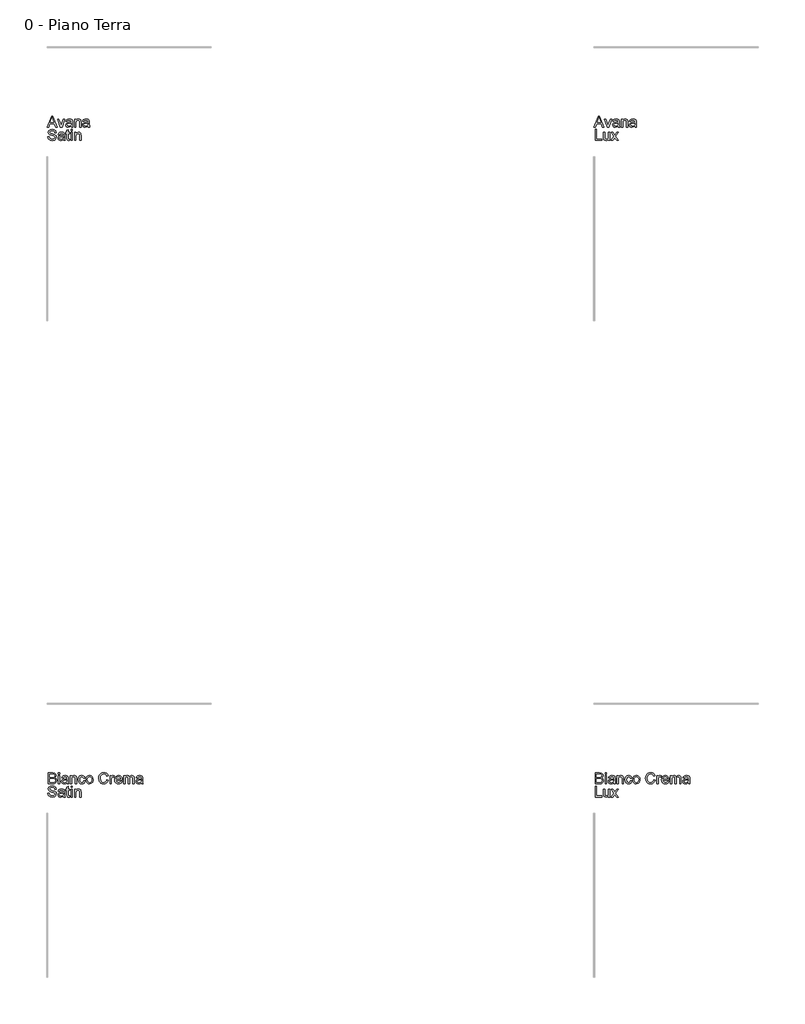
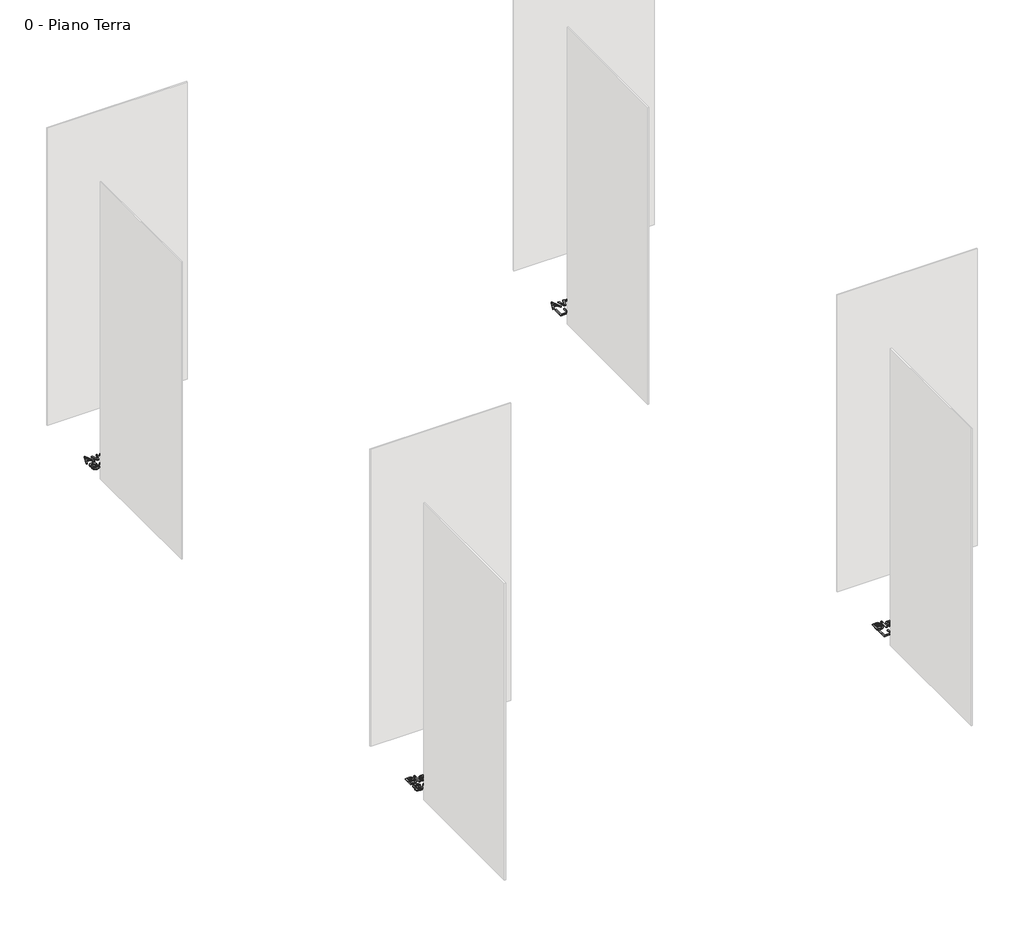
# One storey, part 22 of 35: 4 proxies.
"""IFC4 building model written with IfcOpenShell, lengths in millimetres."""

import ifcopenshell
import ifcopenshell.guid

model = None  # the IFC model being written
_history = None  # IfcOwnerHistory: only IFC2X3 demands one
_inside = {}  # id of a spatial element -> (the spatial element, [elements in it])
_under = {}  # id of a project, library or spatial element -> (it, [spatial elements below it])
_declared = {}  # id of a project -> (the project, [libraries it declares])
_typed = {}  # id of a type object -> (the type object, [elements of that type])
_made_of = {}  # id of a material, layer set ... -> (it, [elements and type objects made of it])


def new_model(schema):
    """Start an empty IFC model of exactly this schema.

    Asked for "IFC4X3", IfcOpenShell would pick the latest addendum, in which some entities
    have other attributes; the version numbers below select the first issue.
    IFC2X3 requires an IfcOwnerHistory on every rooted entity: one is made here for all.
    """
    global model, _history
    if schema == "IFC4X3":
        model = ifcopenshell.file(schema_version=(4, 3, 0, 0))
    else:
        model = ifcopenshell.file(schema=schema)
    _inside.clear()
    _under.clear()
    _declared.clear()
    _typed.clear()
    _made_of.clear()
    _history = None
    if model.schema == "IFC2X3":
        org = make("IfcOrganization", Name="unknown")
        user = make(
            "IfcPersonAndOrganization",
            ThePerson=make("IfcPerson", FamilyName="unknown"),
            TheOrganization=org,
        )
        app = make(
            "IfcApplication",
            ApplicationDeveloper=org,
            Version="unknown",
            ApplicationFullName="unknown",
            ApplicationIdentifier="unknown",
        )
        _history = make(
            "IfcOwnerHistory",
            OwningUser=user,
            OwningApplication=app,
            ChangeAction="ADDED",
            CreationDate=0,
        )
    return model


def make(cls, **values):
    """One entity of the class cls with the attributes given. An attribute that is None is left unset."""
    return model.create_entity(
        cls, **{name: value for name, value in values.items() if value is not None}
    )


def rooted(cls, **values):
    """An entity with a GlobalId (a new one), such as an element, a storey or a relation."""
    return make(cls, GlobalId=ifcopenshell.guid.new(), OwnerHistory=_history, **values)


def si_unit(unit_type, name, prefix=None):
    """IfcSIUnit, for example si_unit("LENGTHUNIT", "METRE", prefix="MILLI")."""
    return make("IfcSIUnit", UnitType=unit_type, Prefix=prefix, Name=name)


def assignment(units):
    """IfcUnitAssignment: the units of a project."""
    return None if units is None else make("IfcUnitAssignment", Units=units)


def point(xyz):
    """IfcCartesianPoint."""
    return None if xyz is None else make("IfcCartesianPoint", Coordinates=xyz)


def direction(xyz):
    """IfcDirection."""
    return None if xyz is None else make("IfcDirection", DirectionRatios=xyz)


def frame(location, z_axis=None, x_axis=None):
    """IfcAxis2Placement3D, a coordinate frame: its origin and axes. An axis left out is left unset."""
    return make(
        "IfcAxis2Placement3D",
        Location=point(location),
        Axis=direction(z_axis),
        RefDirection=direction(x_axis),
    )


def origin():
    """The frame at (0, 0, 0) with its axes left unset."""
    return frame((0.0, 0.0, 0.0))


def origin_with_axes():
    """The frame at (0, 0, 0) with the z axis (0, 0, 1) and the x axis (1, 0, 0) written out."""
    return frame((0.0, 0.0, 0.0), z_axis=(0.0, 0.0, 1.0), x_axis=(1.0, 0.0, 0.0))


def place(relative_to, where):
    """IfcLocalPlacement: puts the frame where relative to a parent placement (None: the world)."""
    return make(
        "IfcLocalPlacement", PlacementRelTo=relative_to, RelativePlacement=where
    )


def context(
    kind, dimensions, precision=None, world=None, true_north=None, identifier=None
):
    """IfcGeometricRepresentationContext, for example the 3D "Model" context."""
    return make(
        "IfcGeometricRepresentationContext",
        ContextIdentifier=identifier,
        ContextType=kind,
        CoordinateSpaceDimension=dimensions,
        Precision=precision,
        WorldCoordinateSystem=world,
        TrueNorth=true_north,
    )


def project(units=None, contexts=None):
    """IfcProject with its units and contexts."""
    return rooted(
        "IfcProject",
        Name="project",
        RepresentationContexts=contexts,
        UnitsInContext=assignment(units),
    )


def spatial(cls, under=None, at=None, **own):
    """A site, building, storey or space (cls), placed at a placement, below another one or the project."""
    s = rooted(cls, ObjectPlacement=at, **own)
    if under is not None:
        _under.setdefault(under.id(), (under, []))[1].append(s)
    return s


def polyline(points):
    """IfcPolyline through the points."""
    return make("IfcPolyline", Points=[point(p) for p in points])


def outline(outer, holes=None, kind="AREA"):
    """IfcArbitraryClosedProfileDef: a profile drawn as a closed curve; with holes, ...WithVoids."""
    if holes is None:
        return make("IfcArbitraryClosedProfileDef", ProfileType=kind, OuterCurve=outer)
    return make(
        "IfcArbitraryProfileDefWithVoids",
        ProfileType=kind,
        OuterCurve=outer,
        InnerCurves=holes,
    )


def extrude(swept, where, along, depth):
    """IfcExtrudedAreaSolid: the profile swept, set in the frame where, extruded along a direction by depth."""
    return make(
        "IfcExtrudedAreaSolid",
        SweptArea=swept,
        Position=where,
        ExtrudedDirection=direction(along),
        Depth=depth,
    )


def shape(context_of_items, identifier, shape_type, items):
    """IfcShapeRepresentation: the items that make up one representation, for example the "Body"."""
    return make(
        "IfcShapeRepresentation",
        ContextOfItems=context_of_items,
        RepresentationIdentifier=identifier,
        RepresentationType=shape_type,
        Items=items,
    )


def made_of(thing, what):
    """Note that an element or type object is made of a material, layer set ...; save() writes the relation."""
    if what is not None:
        _made_of.setdefault(what.id(), (what, []))[1].append(thing)
    return thing


def element(
    cls,
    number,
    at=None,
    inside=None,
    cuts=None,
    type_object=None,
    material=None,
    context=None,
    identifier="Body",
    shape_type=None,
    held_by="IfcProductDefinitionShape",
    body=None,
    shapes=None,
    **own,
):
    """One element of the class cls, such as IfcWall. Its Tag is "e" and its number.

    at: its placement. inside: the storey or other place that contains it. cuts: it is an
    opening in that element (IfcRelVoidsElement). A single representation is given by context,
    identifier, shape_type and body (its items); several are given by shapes. held_by: the class
    of the entity that holds the representations. save() writes the other relations.
    """
    e = rooted(cls, Tag="e%d" % number, ObjectPlacement=at, **own)
    if body is not None:
        shapes = [shape(context, identifier, shape_type, body)]
    if shapes is not None:
        e.Representation = make(held_by, Representations=shapes)
    if inside is not None:
        _inside.setdefault(inside.id(), (inside, []))[1].append(e)
    if cuts is not None:
        rooted(
            "IfcRelVoidsElement", RelatingBuildingElement=cuts, RelatedOpeningElement=e
        )
    if type_object is not None:
        _typed.setdefault(type_object.id(), (type_object, []))[1].append(e)
    return made_of(e, material)


def aggregate(whole, parts):
    """IfcRelAggregates: a whole, such as a stair, and the parts it consists of."""
    return rooted("IfcRelAggregates", RelatingObject=whole, RelatedObjects=parts)


def save(model, path):
    """Write the relations noted so far, then the file.

    IfcRelAggregates (storeys below a building ...), IfcRelContainedInSpatialStructure (elements
    in a storey), IfcRelDefinesByType, IfcRelAssociatesMaterial and IfcRelDeclares: one each for
    every whole, place, type object, material and project.
    """
    for whole, parts in _under.values():
        aggregate(whole, parts)
    for where, things in _inside.values():
        rooted(
            "IfcRelContainedInSpatialStructure",
            RelatedElements=things,
            RelatingStructure=where,
        )
    for kind, things in _typed.values():
        rooted("IfcRelDefinesByType", RelatedObjects=things, RelatingType=kind)
    for what, things in _made_of.values():
        rooted("IfcRelAssociatesMaterial", RelatedObjects=things, RelatingMaterial=what)
    for by, libraries in _declared.values():
        rooted("IfcRelDeclares", RelatingContext=by, RelatedDefinitions=libraries)
    model.write(path)


model = new_model("IFC4")

# Units and contexts
model_context = context("Model", 3, world=origin())
ifc_project = project(units=[si_unit("LENGTHUNIT", "METRE", prefix="MILLI")], contexts=[model_context])

# Site, building, storey
site = spatial("IfcSite", under=ifc_project)
building = spatial("IfcBuilding", under=site)
storey = spatial("IfcBuildingStorey", under=building, Name="0 - Piano Terra", Elevation=0.0)

# Proxies
placement = place(None, origin())
element("IfcBuildingElementProxy", 1, Name="Testo modello 1", ObjectType="Testo modello 1", at=placement, inside=storey, context=model_context, shape_type="SweptSolid", body=[
    extrude(outline(polyline([(2720.0306016, -48273.7592352), (2760.1297391, -48173.302925), (2770.8228424, -48173.302925), (2810.9219799, -48273.7592352), (2797.6537026, -48273.7592352), (2786.1512589, -48242.3666382), (2744.7767972, -48242.3666382), (2733.2988789, -48273.7592352), (2720.0306016, -48273.7592352)]), holes=[polyline([(2749.3875848, -48229.8095995), (2781.5649967, -48229.8095995), (2772.5150996, -48205.1124549), (2765.4762908, -48185.8599638), (2759.2222968, -48202.9542138), (2749.3875848, -48229.8095995)])]), origin_with_axes(), (0.0, 0.0, 1.0), 10.0),
    extrude(outline(polyline([(2840.8675743, -48273.7592352), (2814.9196309, -48199.9866324), (2828.2124337, -48199.9866324), (2843.9332576, -48244.1815227), (2848.6666726, -48259.0439553), (2853.3019857, -48245.0153886), (2869.1209115, -48199.9866324), (2882.4137143, -48199.9866324), (2856.784602, -48273.7592352), (2840.8675743, -48273.7592352)])), origin_with_axes(), (0.0, 0.0, 1.0), 10.0),
    extrude(outline(polyline([(2940.4900186, -48264.3414561), (2928.3131246, -48272.8517929), (2914.8609063, -48275.328865), (2904.3670724, -48273.8389429), (2896.626222, -48269.3691767), (2891.8529532, -48262.5817539), (2890.2618635, -48254.1388621), (2892.6653592, -48244.2060482), (2898.9806668, -48236.9955611), (2907.7730465, -48232.8752828), (2918.6378281, -48230.9868218), (2940.4164422, -48226.6703398), (2940.4900186, -48223.8744366), (2937.0319279, -48214.6038103), (2923.1505139, -48210.9740413), (2910.4463223, -48213.3897997), (2904.3885321, -48221.9614502), (2891.8314934, -48220.3918204), (2897.2638842, -48208.1290872), (2908.2022422, -48200.9431256), (2924.7691947, -48198.4170025), (2939.9872465, -48200.64882), (2948.5834225, -48206.252889), (2952.4339207, -48214.7754886), (2953.0470574, -48225.7628975), (2953.0470574, -48241.3856196), (2953.6847195, -48263.2010219), (2956.1863171, -48273.7592352), (2943.6292783, -48273.7592352), (2940.4900186, -48264.3414561)]), holes=[polyline([(2940.4900186, -48239.2273785), (2920.2319834, -48243.0778768), (2909.4285155, -48245.1134905), (2904.5356849, -48248.4244284), (2902.8189023, -48253.2559453), (2906.5590359, -48260.0494995), (2917.5341821, -48262.7718262), (2930.2383737, -48259.7674566), (2938.4298794, -48252.4956558), (2940.4164422, -48242.7835712), (2940.4900186, -48239.2273785)])]), origin_with_axes(), (0.0, 0.0, 1.0), 10.0),
    extrude(outline(polyline([(2970.3129857, -48273.7592352), (2970.3129857, -48199.9866324), (2982.8700244, -48199.9866324), (2982.8700244, -48210.2873283), (2992.4717445, -48201.384584), (3005.5806063, -48198.4170025), (3017.4386693, -48200.8082355), (3025.5320732, -48207.0867549), (3029.2967322, -48216.320593), (3029.9589198, -48228.4606988), (3029.9589198, -48273.7592352), (3017.4018811, -48273.7592352), (3017.4018811, -48230.152956), (3015.9548785, -48219.0429197), (3010.8413188, -48213.1690705), (3002.2206174, -48210.9740413), (2988.5967208, -48215.90366), (2984.3016985, -48223.0467021), (2982.8700244, -48234.6165909), (2982.8700244, -48273.7592352), (2970.3129857, -48273.7592352)])), origin_with_axes(), (0.0, 0.0, 1.0), 10.0),
    extrude(outline(polyline([(3094.3137435, -48264.3414561), (3082.1368495, -48272.8517929), (3068.6846312, -48275.328865), (3058.1907973, -48273.8389429), (3050.449947, -48269.3691767), (3045.6766781, -48262.5817539), (3044.0855884, -48254.1388621), (3046.4890841, -48244.2060482), (3052.8043917, -48236.9955611), (3061.5967714, -48232.8752828), (3072.461553, -48230.9868218), (3094.2401671, -48226.6703398), (3094.3137435, -48223.8744366), (3090.8556528, -48214.6038103), (3076.9742388, -48210.9740413), (3064.2700472, -48213.3897997), (3058.2122571, -48221.9614502), (3045.6552183, -48220.3918204), (3051.0876091, -48208.1290872), (3062.0259671, -48200.9431256), (3078.5929196, -48198.4170025), (3093.8109715, -48200.64882), (3102.4071474, -48206.252889), (3106.2576456, -48214.7754886), (3106.8707823, -48225.7628975), (3106.8707823, -48241.3856196), (3107.5084444, -48263.2010219), (3110.010042, -48273.7592352), (3097.4530032, -48273.7592352), (3094.3137435, -48264.3414561)]), holes=[polyline([(3094.3137435, -48239.2273785), (3074.0557083, -48243.0778768), (3063.2522404, -48245.1134905), (3058.3594099, -48248.4244284), (3056.6426272, -48253.2559453), (3060.3827608, -48260.0494995), (3071.357907, -48262.7718262), (3084.0620986, -48259.7674566), (3092.2536043, -48252.4956558), (3094.2401671, -48242.7835712), (3094.3137435, -48239.2273785)])]), origin_with_axes(), (0.0, 0.0, 1.0), 10.0),
    extrude(outline(polyline([(2727.0203595, -48361.2021964), (2739.5773983, -48361.2021964), (2743.6241003, -48373.7714979), (2753.5078632, -48381.717749), (2768.5664995, -48384.7466441), (2781.687624, -48382.453513), (2790.1611726, -48376.1504681), (2792.9448131, -48367.7259704), (2790.8601484, -48359.8900839), (2782.3252861, -48354.187913), (2764.041551, -48349.3931843), (2744.3598642, -48343.2005041), (2733.6790237, -48333.8563014), (2730.1596192, -48321.372839), (2734.5128895, -48307.1603313), (2747.2293438, -48297.1294156), (2765.8441728, -48293.708113), (2785.7098005, -48297.2888311), (2798.9535523, -48307.8102561), (2803.932222, -48323.5310801), (2791.3751832, -48323.5310801), (2789.0697894, -48316.0385501), (2784.262798, -48310.6306848), (2766.3346821, -48306.2651518), (2748.3575153, -48310.5816338), (2742.716658, -48321.004957), (2746.714309, -48329.7114976), (2767.2175989, -48336.725781), (2789.4376714, -48343.0288258), (2801.59004, -48353.2068944), (2805.5018518, -48367.4071394), (2801.0014288, -48382.4289875), (2788.0519825, -48393.391871), (2769.0570089, -48397.3036828), (2746.6284699, -48393.0853026), (2732.4404876, -48380.3811111), (2727.0203595, -48361.2021964)])), origin_with_axes(), (0.0, 0.0, 1.0), 10.0),
    extrude(outline(polyline([(2869.8566755, -48386.3162739), (2857.6797815, -48394.8266107), (2844.2275632, -48397.3036828), (2833.7337293, -48395.8137608), (2825.992879, -48391.3439945), (2821.2196101, -48384.5565717), (2819.6285205, -48376.1136799), (2822.0320162, -48366.1808661), (2828.3473237, -48358.9703789), (2837.1397034, -48354.8501006), (2848.004485, -48352.9616397), (2869.7830991, -48348.6451576), (2869.8566755, -48345.8492545), (2866.3985848, -48336.5786282), (2852.5171708, -48332.9488592), (2839.8129793, -48335.3646176), (2833.7551891, -48343.9362681), (2821.1981503, -48342.3666382), (2826.6305411, -48330.1039051), (2837.5688991, -48322.9179434), (2854.1358516, -48320.3918204), (2869.3539035, -48322.6236378), (2877.9500794, -48328.2277069), (2881.8005776, -48336.7503064), (2882.4137143, -48347.7377154), (2882.4137143, -48363.3604374), (2883.0513764, -48385.1758397), (2885.552974, -48395.734053), (2872.9959352, -48395.734053), (2869.8566755, -48386.3162739)]), holes=[polyline([(2869.8566755, -48361.2021964), (2849.5986403, -48365.0526946), (2838.7951724, -48367.0883083), (2833.9023419, -48370.3992463), (2832.1855592, -48375.2307631), (2835.9256928, -48382.0243173), (2846.900839, -48384.7466441), (2859.6050306, -48381.7422744), (2867.7965364, -48374.4704737), (2869.7830991, -48364.758389), (2869.8566755, -48361.2021964)])]), origin_with_axes(), (0.0, 0.0, 1.0), 10.0),
    extrude(outline(polyline([(2926.36335, -48385.2616789), (2927.9329798, -48396.101935), (2918.5397262, -48397.3036828), (2908.0183012, -48395.2190182), (2902.7698514, -48389.7498392), (2901.2492725, -48375.5005433), (2901.2492725, -48334.518489), (2891.8314934, -48334.518489), (2891.8314934, -48321.9614502), (2901.2492725, -48321.9614502), (2901.2492725, -48304.0333343), (2913.8063112, -48296.651169), (2913.8063112, -48321.9614502), (2926.36335, -48321.9614502), (2926.36335, -48334.518489), (2913.8063112, -48334.518489), (2913.8063112, -48375.1326613), (2914.4684988, -48381.6073844), (2916.6144771, -48383.9005155), (2920.894171, -48384.7466441), (2926.36335, -48385.2616789)])), origin_with_axes(), (0.0, 0.0, 1.0), 10.0),
    extrude(outline(polyline([(2938.9203888, -48307.8347816), (2938.9203888, -48295.2777428), (2951.4774275, -48295.2777428), (2951.4774275, -48307.8347816), (2938.9203888, -48307.8347816)])), origin_with_axes(), (0.0, 0.0, 1.0), 10.0),
    extrude(outline(polyline([(2938.9203888, -48395.734053), (2938.9203888, -48321.9614502), (2951.4774275, -48321.9614502), (2951.4774275, -48395.734053), (2938.9203888, -48395.734053)])), origin_with_axes(), (0.0, 0.0, 1.0), 10.0),
    extrude(outline(polyline([(2970.3129857, -48395.734053), (2970.3129857, -48321.9614502), (2982.8700244, -48321.9614502), (2982.8700244, -48332.2621461), (2992.4717445, -48323.3594018), (3005.5806063, -48320.3918204), (3017.4386693, -48322.7830534), (3025.5320732, -48329.0615727), (3029.2967322, -48338.2954108), (3029.9589198, -48350.4355167), (3029.9589198, -48395.734053), (3017.4018811, -48395.734053), (3017.4018811, -48352.1277738), (3015.9548785, -48341.0177376), (3010.8413188, -48335.1438884), (3002.2206174, -48332.9488592), (2988.5967208, -48337.8784779), (2984.3016985, -48345.02152), (2982.8700244, -48356.5914087), (2982.8700244, -48395.734053), (2970.3129857, -48395.734053)])), origin_with_axes(), (0.0, 0.0, 1.0), 10.0),
])
element("IfcBuildingElementProxy", 2, Name="Testo modello 1", ObjectType="Testo modello 1", at=placement, inside=storey, context=model_context, shape_type="SweptSolid", body=[
    extrude(outline(polyline([(7720.0306016, -48273.7592352), (7760.1297391, -48173.302925), (7770.8228424, -48173.302925), (7810.9219799, -48273.7592352), (7797.6537026, -48273.7592352), (7786.1512589, -48242.3666382), (7744.7767972, -48242.3666382), (7733.2988789, -48273.7592352), (7720.0306016, -48273.7592352)]), holes=[polyline([(7749.3875848, -48229.8095995), (7781.5649967, -48229.8095995), (7772.5150996, -48205.1124549), (7765.4762908, -48185.8599638), (7759.2222968, -48202.9542138), (7749.3875848, -48229.8095995)])]), origin_with_axes(), (0.0, 0.0, 1.0), 10.0),
    extrude(outline(polyline([(7840.8675743, -48273.7592352), (7814.9196309, -48199.9866324), (7828.2124337, -48199.9866324), (7843.9332576, -48244.1815227), (7848.6666726, -48259.0439553), (7853.3019857, -48245.0153886), (7869.1209115, -48199.9866324), (7882.4137143, -48199.9866324), (7856.784602, -48273.7592352), (7840.8675743, -48273.7592352)])), origin_with_axes(), (0.0, 0.0, 1.0), 10.0),
    extrude(outline(polyline([(7940.4900186, -48264.3414561), (7928.3131246, -48272.8517929), (7914.8609063, -48275.328865), (7904.3670724, -48273.8389429), (7896.626222, -48269.3691767), (7891.8529532, -48262.5817539), (7890.2618635, -48254.1388621), (7892.6653592, -48244.2060482), (7898.9806668, -48236.9955611), (7907.7730465, -48232.8752828), (7918.6378281, -48230.9868218), (7940.4164422, -48226.6703398), (7940.4900186, -48223.8744366), (7937.0319279, -48214.6038103), (7923.1505139, -48210.9740413), (7910.4463223, -48213.3897997), (7904.3885321, -48221.9614502), (7891.8314934, -48220.3918204), (7897.2638842, -48208.1290872), (7908.2022422, -48200.9431256), (7924.7691947, -48198.4170025), (7939.9872465, -48200.64882), (7948.5834225, -48206.252889), (7952.4339207, -48214.7754886), (7953.0470574, -48225.7628975), (7953.0470574, -48241.3856196), (7953.6847195, -48263.2010219), (7956.1863171, -48273.7592352), (7943.6292783, -48273.7592352), (7940.4900186, -48264.3414561)]), holes=[polyline([(7940.4900186, -48239.2273785), (7920.2319834, -48243.0778768), (7909.4285155, -48245.1134905), (7904.5356849, -48248.4244284), (7902.8189023, -48253.2559453), (7906.5590359, -48260.0494995), (7917.5341821, -48262.7718262), (7930.2383737, -48259.7674566), (7938.4298794, -48252.4956558), (7940.4164422, -48242.7835712), (7940.4900186, -48239.2273785)])]), origin_with_axes(), (0.0, 0.0, 1.0), 10.0),
    extrude(outline(polyline([(7970.3129857, -48273.7592352), (7970.3129857, -48199.9866324), (7982.8700244, -48199.9866324), (7982.8700244, -48210.2873283), (7992.4717445, -48201.384584), (8005.5806063, -48198.4170025), (8017.4386693, -48200.8082355), (8025.5320732, -48207.0867549), (8029.2967322, -48216.320593), (8029.9589198, -48228.4606988), (8029.9589198, -48273.7592352), (8017.4018811, -48273.7592352), (8017.4018811, -48230.152956), (8015.9548785, -48219.0429197), (8010.8413188, -48213.1690705), (8002.2206174, -48210.9740413), (7988.5967208, -48215.90366), (7984.3016985, -48223.0467021), (7982.8700244, -48234.6165909), (7982.8700244, -48273.7592352), (7970.3129857, -48273.7592352)])), origin_with_axes(), (0.0, 0.0, 1.0), 10.0),
    extrude(outline(polyline([(8094.3137435, -48264.3414561), (8082.1368495, -48272.8517929), (8068.6846312, -48275.328865), (8058.1907973, -48273.8389429), (8050.449947, -48269.3691767), (8045.6766781, -48262.5817539), (8044.0855884, -48254.1388621), (8046.4890841, -48244.2060482), (8052.8043917, -48236.9955611), (8061.5967714, -48232.8752828), (8072.461553, -48230.9868218), (8094.2401671, -48226.6703398), (8094.3137435, -48223.8744366), (8090.8556528, -48214.6038103), (8076.9742388, -48210.9740413), (8064.2700472, -48213.3897997), (8058.2122571, -48221.9614502), (8045.6552183, -48220.3918204), (8051.0876091, -48208.1290872), (8062.0259671, -48200.9431256), (8078.5929196, -48198.4170025), (8093.8109715, -48200.64882), (8102.4071474, -48206.252889), (8106.2576456, -48214.7754886), (8106.8707823, -48225.7628975), (8106.8707823, -48241.3856196), (8107.5084444, -48263.2010219), (8110.010042, -48273.7592352), (8097.4530032, -48273.7592352), (8094.3137435, -48264.3414561)]), holes=[polyline([(8094.3137435, -48239.2273785), (8074.0557083, -48243.0778768), (8063.2522404, -48245.1134905), (8058.3594099, -48248.4244284), (8056.6426272, -48253.2559453), (8060.3827608, -48260.0494995), (8071.357907, -48262.7718262), (8084.0620986, -48259.7674566), (8092.2536043, -48252.4956558), (8094.2401671, -48242.7835712), (8094.3137435, -48239.2273785)])]), origin_with_axes(), (0.0, 0.0, 1.0), 10.0),
    extrude(outline(polyline([(7731.7292491, -48395.734053), (7731.7292491, -48295.2777428), (7744.2862878, -48295.2777428), (7744.2862878, -48383.1770142), (7794.5144429, -48383.1770142), (7794.5144429, -48395.734053), (7731.7292491, -48395.734053)])), origin_with_axes(), (0.0, 0.0, 1.0), 10.0),
    extrude(outline(polyline([(7854.1603771, -48395.734053), (7854.1603771, -48383.0543869), (7844.3256651, -48393.7413589), (7831.4988462, -48397.3036828), (7819.6898341, -48394.8020853), (7811.5473793, -48388.5235659), (7807.8072457, -48379.2774651), (7807.0714817, -48367.6033431), (7807.0714817, -48321.9614502), (7819.6285205, -48321.9614502), (7819.6285205, -48361.6927057), (7820.3888099, -48374.4949991), (7825.3552168, -48382.0120546), (7834.7116823, -48384.7466441), (7845.1963191, -48381.9507409), (7852.1247634, -48374.3355836), (7854.1603771, -48360.3438051), (7854.1603771, -48321.9614502), (7866.7174158, -48321.9614502), (7866.7174158, -48395.734053), (7854.1603771, -48395.734053)])), origin_with_axes(), (0.0, 0.0, 1.0), 10.0),
    extrude(outline(polyline([(7876.1351949, -48395.734053), (7902.9660551, -48358.6515479), (7877.7048248, -48321.9614502), (7892.812512, -48321.9614502), (7905.0016688, -48339.619786), (7910.691577, -48347.9584446), (7915.6211957, -48341.1403649), (7929.5026097, -48321.9614502), (7944.610297, -48321.9614502), (7918.0737424, -48358.6515479), (7943.6292783, -48395.734053), (7928.521591, -48395.734053), (7913.1441236, -48373.4404041), (7910.323695, -48369.3691767), (7891.2428822, -48395.734053), (7876.1351949, -48395.734053)])), origin_with_axes(), (0.0, 0.0, 1.0), 10.0),
])
element("IfcBuildingElementProxy", 3, Name="Testo modello 1", ObjectType="Testo modello 1", at=placement, inside=storey, context=model_context, shape_type="SweptSolid", body=[
    extrude(outline(polyline([(2731.7292491, -54273.7592352), (2731.7292491, -54173.302925), (2770.062553, -54173.302925), (2788.8367975, -54176.2582437), (2799.9223082, -54185.344929), (2803.932222, -54198.1962733), (2800.5599704, -54209.931709), (2790.3696391, -54218.8221905), (2802.7427369, -54228.1909187), (2807.0714817, -54243.8136407), (2804.116163, -54257.31491), (2796.7953113, -54266.9288928), (2785.869216, -54272.0301898), (2769.7682474, -54273.7592352), (2731.7292491, -54273.7592352)]), holes=[polyline([(2744.2862878, -54214.113301), (2767.2175989, -54214.113301), (2780.6085035, -54213.0341805), (2788.6651192, -54208.3866046), (2791.3751832, -54200.2073616), (2788.8490602, -54192.0158558), (2781.6140476, -54187.1720762), (2765.4762908, -54185.8599638), (2744.2862878, -54185.8599638), (2744.2862878, -54214.113301)]), polyline([(2744.2862878, -54261.2021964), (2770.0380275, -54261.2021964), (2779.3577047, -54260.7116871), (2787.2426421, -54257.9770976), (2792.4665665, -54252.397554), (2794.5144429, -54243.9362681), (2792.1109472, -54234.1751325), (2784.3241117, -54228.3503342), (2768.8117542, -54226.6703398), (2744.2862878, -54226.6703398), (2744.2862878, -54261.2021964)])]), origin_with_axes(), (0.0, 0.0, 1.0), 10.0),
    extrude(outline(polyline([(2822.7677801, -54185.8599638), (2822.7677801, -54173.302925), (2835.3248189, -54173.302925), (2835.3248189, -54185.8599638), (2822.7677801, -54185.8599638)])), origin_with_axes(), (0.0, 0.0, 1.0), 10.0),
    extrude(outline(polyline([(2822.7677801, -54273.7592352), (2822.7677801, -54199.9866324), (2835.3248189, -54199.9866324), (2835.3248189, -54273.7592352), (2822.7677801, -54273.7592352)])), origin_with_axes(), (0.0, 0.0, 1.0), 10.0),
    extrude(outline(polyline([(2901.2492725, -54264.3414561), (2889.0723784, -54272.8517929), (2875.6201601, -54275.328865), (2865.1263262, -54273.8389429), (2857.3854759, -54269.3691767), (2852.612207, -54262.5817539), (2851.0211174, -54254.1388621), (2853.4246131, -54244.2060482), (2859.7399207, -54236.9955611), (2868.5323003, -54232.8752828), (2879.3970819, -54230.9868218), (2901.1756961, -54226.6703398), (2901.2492725, -54223.8744366), (2897.7911817, -54214.6038103), (2883.9097677, -54210.9740413), (2871.2055762, -54213.3897997), (2865.147786, -54221.9614502), (2852.5907472, -54220.3918204), (2858.023138, -54208.1290872), (2868.961496, -54200.9431256), (2885.5284485, -54198.4170025), (2900.7465004, -54200.64882), (2909.3426763, -54206.252889), (2913.1931746, -54214.7754886), (2913.8063112, -54225.7628975), (2913.8063112, -54241.3856196), (2914.4439733, -54263.2010219), (2916.9455709, -54273.7592352), (2904.3885321, -54273.7592352), (2901.2492725, -54264.3414561)]), holes=[polyline([(2901.2492725, -54239.2273785), (2880.9912373, -54243.0778768), (2870.1877693, -54245.1134905), (2865.2949388, -54248.4244284), (2863.5781561, -54253.2559453), (2867.3182898, -54260.0494995), (2878.293436, -54262.7718262), (2890.9976275, -54259.7674566), (2899.1891333, -54252.4956558), (2901.1756961, -54242.7835712), (2901.2492725, -54239.2273785)])]), origin_with_axes(), (0.0, 0.0, 1.0), 10.0),
    extrude(outline(polyline([(2931.0722395, -54273.7592352), (2931.0722395, -54199.9866324), (2943.6292783, -54199.9866324), (2943.6292783, -54210.2873283), (2953.2309984, -54201.384584), (2966.3398601, -54198.4170025), (2978.1979231, -54200.8082355), (2986.291327, -54207.0867549), (2990.0559861, -54216.320593), (2990.7181737, -54228.4606988), (2990.7181737, -54273.7592352), (2978.1611349, -54273.7592352), (2978.1611349, -54230.152956), (2976.7141324, -54219.0429197), (2971.6005727, -54213.1690705), (2962.9798712, -54210.9740413), (2949.3559747, -54215.90366), (2945.0609524, -54223.0467021), (2943.6292783, -54234.6165909), (2943.6292783, -54273.7592352), (2931.0722395, -54273.7592352)])), origin_with_axes(), (0.0, 0.0, 1.0), 10.0),
    extrude(outline(polyline([(3055.0729974, -54247.0755278), (3067.6300361, -54248.6451576), (3064.1290258, -54259.8134419), (3057.5500695, -54268.253268), (3048.5124351, -54273.5599657), (3037.6353908, -54275.328865), (3024.2782087, -54272.8609899), (3013.8334257, -54265.4573648), (3007.0919881, -54253.442952), (3004.8448423, -54237.1427139), (3008.6830778, -54216.2838048), (3020.3817252, -54202.8806374), (3037.4637125, -54198.4170025), (3048.0740424, -54199.9498442), (3056.5567881, -54204.5483691), (3062.6421694, -54211.9673227), (3066.0604063, -54221.9614502), (3053.5033675, -54223.5310801), (3047.6785693, -54214.1255637), (3037.5618144, -54210.9740413), (3029.4469507, -54212.5252771), (3023.0059501, -54217.1789843), (3018.8028983, -54225.1865491), (3017.4018811, -54236.7993574), (3018.7722415, -54248.5685155), (3022.8833228, -54256.6036714), (3029.2078274, -54261.2297875), (3037.2184579, -54262.7718262), (3049.0519954, -54258.921328), (3055.0729974, -54247.0755278)])), origin_with_axes(), (0.0, 0.0, 1.0), 10.0),
    extrude(outline(polyline([(3075.4781854, -54236.8729338), (3078.1943808, -54219.0858393), (3086.342967, -54206.5839828), (3096.4106709, -54200.4587476), (3108.4649376, -54198.4170025), (3121.6565728, -54200.9032717), (3132.1933263, -54208.3620791), (3139.1003108, -54220.2048137), (3141.4026389, -54235.8428642), (3137.3314115, -54258.185564), (3125.4733485, -54270.8284419), (3108.4649376, -54275.328865), (3095.1138869, -54272.8517929), (3084.5893961, -54265.4205766), (3077.7559881, -54253.3295217), (3075.4781854, -54236.8729338)]), holes=[polyline([(3088.0352241, -54236.8484083), (3089.488358, -54248.2128963), (3093.8477597, -54256.3093658), (3100.4083219, -54261.1562111), (3108.4649376, -54262.7718262), (3116.4847651, -54261.1470141), (3123.0330646, -54256.2725776), (3127.3924663, -54248.0688092), (3128.8456001, -54236.4560008), (3127.3832692, -54225.4226067), (3122.9962764, -54217.4365017), (3116.4387798, -54212.5896564), (3108.4649376, -54210.9740413), (3100.4083219, -54212.583525), (3093.8477597, -54217.4119762), (3089.488358, -54225.4900517), (3088.0352241, -54236.8484083)])]), origin_with_axes(), (0.0, 0.0, 1.0), 10.0),
    extrude(outline(polyline([(3266.9730266, -54238.0501562), (3279.5300654, -54241.2875177), (3273.7359239, -54255.9200241), (3264.6431073, -54266.6100617), (3252.6992052, -54273.1491642), (3238.3518074, -54275.328865), (3223.786746, -54273.6795274), (3212.219923, -54268.7315146), (3203.3539669, -54260.6565048), (3196.8915065, -54249.6261763), (3191.630794, -54222.7707906), (3193.1176504, -54208.1229558), (3197.5782196, -54195.4739466), (3204.7795096, -54185.2253673), (3214.4885286, -54177.7788226), (3226.0032351, -54173.244677), (3238.6215875, -54171.7332952), (3252.3895712, -54173.6892011), (3263.7724532, -54179.5569189), (3272.4146144, -54188.974698), (3277.9604355, -54201.5807877), (3265.4033967, -54204.5728946), (3255.1027009, -54189.1341135), (3238.1310782, -54184.2903339), (3218.4861796, -54189.6614111), (3207.3884061, -54204.0823853), (3204.1878327, -54222.7462652), (3207.9770173, -54244.3777265), (3219.7737666, -54258.1978268), (3237.1010086, -54262.7718262), (3247.5825798, -54261.2144591), (3256.3167115, -54256.5423578), (3262.9109962, -54248.8045731), (3266.9730266, -54238.0501562)])), origin_with_axes(), (0.0, 0.0, 1.0), 10.0),
    extrude(outline(polyline([(3295.2263638, -54273.7592352), (3295.2263638, -54199.9866324), (3306.2137727, -54199.9866324), (3306.2137727, -54210.9004649), (3314.012871, -54200.8450237), (3321.8610203, -54198.4170025), (3334.46711, -54202.2920262), (3330.2732552, -54213.5492153), (3321.4440873, -54210.9740413), (3314.3439648, -54213.4511134), (3309.8190163, -54220.318244), (3307.7834026, -54234.9844729), (3307.7834026, -54273.7592352), (3295.2263638, -54273.7592352)])), origin_with_axes(), (0.0, 0.0, 1.0), 10.0),
    extrude(outline(polyline([(3393.9658913, -54251.7844173), (3406.2776754, -54253.3540472), (3401.8416317, -54262.6308048), (3394.762969, -54269.5653804), (3385.2011028, -54273.8879938), (3373.3154487, -54275.328865), (3358.5817748, -54272.8425958), (3347.2448779, -54265.3837884), (3340.0159967, -54253.4368206), (3337.6063697, -54237.4860704), (3340.0405222, -54220.9988257), (3347.3429798, -54208.6686475), (3358.5265925, -54200.9799138), (3372.6042101, -54198.4170025), (3386.2434351, -54200.9737824), (3397.1419392, -54208.644122), (3404.288047, -54220.9497747), (3406.6700829, -54237.412494), (3406.5965065, -54240.7970084), (3350.1634084, -54240.7970084), (3352.3369779, -54250.1963934), (3357.3861583, -54257.1064435), (3364.6732875, -54261.3554805), (3373.5607033, -54262.7718262), (3385.8724874, -54260.1476013), (3393.9658913, -54251.7844173)]), holes=[polyline([(3350.1634084, -54228.2399696), (3394.1130441, -54228.2399696), (3389.0853235, -54216.8601532), (3381.7644718, -54212.4455693), (3372.5551592, -54210.9740413), (3357.0918527, -54215.6706681), (3352.2266133, -54221.1613069), (3350.1634084, -54228.2399696)])]), origin_with_axes(), (0.0, 0.0, 1.0), 10.0),
    extrude(outline(polyline([(3419.2271217, -54273.7592352), (3419.2271217, -54199.9866324), (3431.7841604, -54199.9866324), (3431.7841604, -54212.1267382), (3440.4171246, -54202.1816616), (3452.7043832, -54198.4170025), (3465.2859475, -54202.255238), (3472.202129, -54213.009655), (3482.0000528, -54202.0651657), (3494.3731505, -54198.4170025), (3503.8123894, -54199.9345158), (3510.7929503, -54204.4870555), (3515.1063667, -54212.1972489), (3516.5441721, -54223.1877235), (3516.5441721, -54273.7592352), (3503.9871334, -54273.7592352), (3503.9871334, -54228.5833261), (3502.8221737, -54218.0986893), (3498.6037935, -54212.9360786), (3491.4300946, -54210.9740413), (3479.0815223, -54216.0017619), (3475.3935053, -54222.5439301), (3474.1641663, -54232.1149933), (3474.1641663, -54273.7592352), (3461.6071275, -54273.7592352), (3461.6071275, -54227.1853746), (3458.7008597, -54215.0207433), (3449.1727161, -54210.9740413), (3439.8775643, -54213.6718426), (3433.6971468, -54221.5690428), (3431.7841604, -54236.5541027), (3431.7841604, -54273.7592352), (3419.2271217, -54273.7592352)])), origin_with_axes(), (0.0, 0.0, 1.0), 10.0),
    extrude(outline(polyline([(3582.4686257, -54264.3414561), (3570.2917316, -54272.8517929), (3556.8395133, -54275.328865), (3546.3456794, -54273.8389429), (3538.6048291, -54269.3691767), (3533.8315602, -54262.5817539), (3532.2404706, -54254.1388621), (3534.6439663, -54244.2060482), (3540.9592739, -54236.9955611), (3549.7516536, -54232.8752828), (3560.6164351, -54230.9868218), (3582.3950493, -54226.6703398), (3582.4686257, -54223.8744366), (3579.0105349, -54214.6038103), (3565.1291209, -54210.9740413), (3552.4249294, -54213.3897997), (3546.3671392, -54221.9614502), (3533.8101004, -54220.3918204), (3539.2424912, -54208.1290872), (3550.1808492, -54200.9431256), (3566.7478017, -54198.4170025), (3581.9658536, -54200.64882), (3590.5620295, -54206.252889), (3594.4125278, -54214.7754886), (3595.0256644, -54225.7628975), (3595.0256644, -54241.3856196), (3595.6633265, -54263.2010219), (3598.1649241, -54273.7592352), (3585.6078853, -54273.7592352), (3582.4686257, -54264.3414561)]), holes=[polyline([(3582.4686257, -54239.2273785), (3562.2105905, -54243.0778768), (3551.4071225, -54245.1134905), (3546.514292, -54248.4244284), (3544.7975093, -54253.2559453), (3548.537643, -54260.0494995), (3559.5127892, -54262.7718262), (3572.2169807, -54259.7674566), (3580.4084865, -54252.4956558), (3582.3950493, -54242.7835712), (3582.4686257, -54239.2273785)])]), origin_with_axes(), (0.0, 0.0, 1.0), 10.0),
    extrude(outline(polyline([(2727.0203595, -54361.2021964), (2739.5773983, -54361.2021964), (2743.6241003, -54373.7714979), (2753.5078632, -54381.717749), (2768.5664995, -54384.7466441), (2781.687624, -54382.453513), (2790.1611726, -54376.1504681), (2792.9448131, -54367.7259704), (2790.8601484, -54359.8900839), (2782.3252861, -54354.187913), (2764.041551, -54349.3931843), (2744.3598642, -54343.2005041), (2733.6790236, -54333.8563014), (2730.1596192, -54321.372839), (2734.5128895, -54307.1603313), (2747.2293438, -54297.1294156), (2765.8441728, -54293.708113), (2785.7098005, -54297.2888311), (2798.9535523, -54307.8102561), (2803.932222, -54323.5310801), (2791.3751832, -54323.5310801), (2789.0697894, -54316.0385501), (2784.262798, -54310.6306848), (2766.3346821, -54306.2651518), (2748.3575153, -54310.5816338), (2742.716658, -54321.004957), (2746.714309, -54329.7114976), (2767.2175989, -54336.725781), (2789.4376714, -54343.0288258), (2801.59004, -54353.2068944), (2805.5018518, -54367.4071394), (2801.0014288, -54382.4289875), (2788.0519825, -54393.391871), (2769.0570089, -54397.3036828), (2746.6284699, -54393.0853026), (2732.4404876, -54380.3811111), (2727.0203595, -54361.2021964)])), origin_with_axes(), (0.0, 0.0, 1.0), 10.0),
    extrude(outline(polyline([(2869.8566755, -54386.3162739), (2857.6797815, -54394.8266107), (2844.2275632, -54397.3036828), (2833.7337293, -54395.8137608), (2825.992879, -54391.3439945), (2821.2196101, -54384.5565717), (2819.6285205, -54376.1136799), (2822.0320162, -54366.1808661), (2828.3473237, -54358.9703789), (2837.1397034, -54354.8501006), (2848.004485, -54352.9616397), (2869.7830991, -54348.6451576), (2869.8566755, -54345.8492545), (2866.3985848, -54336.5786282), (2852.5171708, -54332.9488592), (2839.8129793, -54335.3646176), (2833.7551891, -54343.9362681), (2821.1981503, -54342.3666382), (2826.6305411, -54330.1039051), (2837.5688991, -54322.9179434), (2854.1358516, -54320.3918204), (2869.3539035, -54322.6236378), (2877.9500794, -54328.2277069), (2881.8005776, -54336.7503064), (2882.4137143, -54347.7377154), (2882.4137143, -54363.3604374), (2883.0513764, -54385.1758397), (2885.552974, -54395.734053), (2872.9959352, -54395.734053), (2869.8566755, -54386.3162739)]), holes=[polyline([(2869.8566755, -54361.2021964), (2849.5986403, -54365.0526946), (2838.7951724, -54367.0883083), (2833.9023419, -54370.3992463), (2832.1855592, -54375.2307631), (2835.9256928, -54382.0243173), (2846.900839, -54384.7466441), (2859.6050306, -54381.7422744), (2867.7965364, -54374.4704737), (2869.7830991, -54364.758389), (2869.8566755, -54361.2021964)])]), origin_with_axes(), (0.0, 0.0, 1.0), 10.0),
    extrude(outline(polyline([(2926.36335, -54385.2616789), (2927.9329798, -54396.101935), (2918.5397262, -54397.3036828), (2908.0183012, -54395.2190182), (2902.7698514, -54389.7498392), (2901.2492725, -54375.5005433), (2901.2492725, -54334.518489), (2891.8314934, -54334.518489), (2891.8314934, -54321.9614502), (2901.2492725, -54321.9614502), (2901.2492725, -54304.0333343), (2913.8063112, -54296.651169), (2913.8063112, -54321.9614502), (2926.36335, -54321.9614502), (2926.36335, -54334.518489), (2913.8063112, -54334.518489), (2913.8063112, -54375.1326613), (2914.4684988, -54381.6073844), (2916.6144771, -54383.9005155), (2920.894171, -54384.7466441), (2926.36335, -54385.2616789)])), origin_with_axes(), (0.0, 0.0, 1.0), 10.0),
    extrude(outline(polyline([(2938.9203888, -54307.8347816), (2938.9203888, -54295.2777428), (2951.4774275, -54295.2777428), (2951.4774275, -54307.8347816), (2938.9203888, -54307.8347816)])), origin_with_axes(), (0.0, 0.0, 1.0), 10.0),
    extrude(outline(polyline([(2938.9203888, -54395.734053), (2938.9203888, -54321.9614502), (2951.4774275, -54321.9614502), (2951.4774275, -54395.734053), (2938.9203888, -54395.734053)])), origin_with_axes(), (0.0, 0.0, 1.0), 10.0),
    extrude(outline(polyline([(2970.3129857, -54395.734053), (2970.3129857, -54321.9614502), (2982.8700244, -54321.9614502), (2982.8700244, -54332.2621461), (2992.4717445, -54323.3594018), (3005.5806063, -54320.3918204), (3017.4386693, -54322.7830534), (3025.5320732, -54329.0615727), (3029.2967322, -54338.2954108), (3029.9589198, -54350.4355167), (3029.9589198, -54395.734053), (3017.4018811, -54395.734053), (3017.4018811, -54352.1277738), (3015.9548785, -54341.0177376), (3010.8413188, -54335.1438884), (3002.2206174, -54332.9488592), (2988.5967208, -54337.8784779), (2984.3016985, -54345.02152), (2982.8700244, -54356.5914087), (2982.8700244, -54395.734053), (2970.3129857, -54395.734053)])), origin_with_axes(), (0.0, 0.0, 1.0), 10.0),
])
element("IfcBuildingElementProxy", 4, Name="Testo modello 1", ObjectType="Testo modello 1", at=placement, inside=storey, context=model_context, shape_type="SweptSolid", body=[
    extrude(outline(polyline([(7731.7292491, -54273.7592352), (7731.7292491, -54173.302925), (7770.062553, -54173.302925), (7788.8367975, -54176.2582437), (7799.9223082, -54185.344929), (7803.932222, -54198.1962733), (7800.5599704, -54209.931709), (7790.3696391, -54218.8221905), (7802.7427369, -54228.1909187), (7807.0714817, -54243.8136407), (7804.116163, -54257.31491), (7796.7953113, -54266.9288928), (7785.869216, -54272.0301898), (7769.7682474, -54273.7592352), (7731.7292491, -54273.7592352)]), holes=[polyline([(7744.2862878, -54214.113301), (7767.2175989, -54214.113301), (7780.6085035, -54213.0341805), (7788.6651192, -54208.3866046), (7791.3751832, -54200.2073616), (7788.8490602, -54192.0158558), (7781.6140476, -54187.1720762), (7765.4762908, -54185.8599638), (7744.2862878, -54185.8599638), (7744.2862878, -54214.113301)]), polyline([(7744.2862878, -54261.2021964), (7770.0380275, -54261.2021964), (7779.3577047, -54260.7116871), (7787.2426421, -54257.9770976), (7792.4665665, -54252.397554), (7794.5144429, -54243.9362681), (7792.1109472, -54234.1751325), (7784.3241117, -54228.3503342), (7768.8117542, -54226.6703398), (7744.2862878, -54226.6703398), (7744.2862878, -54261.2021964)])]), origin_with_axes(), (0.0, 0.0, 1.0), 10.0),
    extrude(outline(polyline([(7822.7677801, -54185.8599638), (7822.7677801, -54173.302925), (7835.3248189, -54173.302925), (7835.3248189, -54185.8599638), (7822.7677801, -54185.8599638)])), origin_with_axes(), (0.0, 0.0, 1.0), 10.0),
    extrude(outline(polyline([(7822.7677801, -54273.7592352), (7822.7677801, -54199.9866324), (7835.3248189, -54199.9866324), (7835.3248189, -54273.7592352), (7822.7677801, -54273.7592352)])), origin_with_axes(), (0.0, 0.0, 1.0), 10.0),
    extrude(outline(polyline([(7901.2492725, -54264.3414561), (7889.0723784, -54272.8517929), (7875.6201601, -54275.328865), (7865.1263262, -54273.8389429), (7857.3854759, -54269.3691767), (7852.612207, -54262.5817539), (7851.0211174, -54254.1388621), (7853.4246131, -54244.2060482), (7859.7399207, -54236.9955611), (7868.5323003, -54232.8752828), (7879.3970819, -54230.9868218), (7901.1756961, -54226.6703398), (7901.2492725, -54223.8744366), (7897.7911817, -54214.6038103), (7883.9097677, -54210.9740413), (7871.2055762, -54213.3897997), (7865.147786, -54221.9614502), (7852.5907472, -54220.3918204), (7858.023138, -54208.1290872), (7868.961496, -54200.9431256), (7885.5284485, -54198.4170025), (7900.7465004, -54200.64882), (7909.3426763, -54206.252889), (7913.1931746, -54214.7754886), (7913.8063112, -54225.7628975), (7913.8063112, -54241.3856196), (7914.4439733, -54263.2010219), (7916.9455709, -54273.7592352), (7904.3885321, -54273.7592352), (7901.2492725, -54264.3414561)]), holes=[polyline([(7901.2492725, -54239.2273785), (7880.9912373, -54243.0778768), (7870.1877693, -54245.1134905), (7865.2949388, -54248.4244284), (7863.5781561, -54253.2559453), (7867.3182898, -54260.0494995), (7878.293436, -54262.7718262), (7890.9976275, -54259.7674566), (7899.1891333, -54252.4956558), (7901.1756961, -54242.7835712), (7901.2492725, -54239.2273785)])]), origin_with_axes(), (0.0, 0.0, 1.0), 10.0),
    extrude(outline(polyline([(7931.0722395, -54273.7592352), (7931.0722395, -54199.9866324), (7943.6292783, -54199.9866324), (7943.6292783, -54210.2873283), (7953.2309984, -54201.384584), (7966.3398601, -54198.4170025), (7978.1979231, -54200.8082355), (7986.291327, -54207.0867549), (7990.0559861, -54216.320593), (7990.7181737, -54228.4606988), (7990.7181737, -54273.7592352), (7978.1611349, -54273.7592352), (7978.1611349, -54230.152956), (7976.7141324, -54219.0429197), (7971.6005727, -54213.1690705), (7962.9798712, -54210.9740413), (7949.3559747, -54215.90366), (7945.0609524, -54223.0467021), (7943.6292783, -54234.6165909), (7943.6292783, -54273.7592352), (7931.0722395, -54273.7592352)])), origin_with_axes(), (0.0, 0.0, 1.0), 10.0),
    extrude(outline(polyline([(8055.0729974, -54247.0755278), (8067.6300361, -54248.6451576), (8064.1290258, -54259.8134419), (8057.5500695, -54268.253268), (8048.5124351, -54273.5599657), (8037.6353908, -54275.328865), (8024.2782087, -54272.8609899), (8013.8334257, -54265.4573648), (8007.0919881, -54253.442952), (8004.8448423, -54237.1427139), (8008.6830778, -54216.2838048), (8020.3817252, -54202.8806374), (8037.4637125, -54198.4170025), (8048.0740424, -54199.9498442), (8056.5567881, -54204.5483691), (8062.6421694, -54211.9673227), (8066.0604063, -54221.9614502), (8053.5033675, -54223.5310801), (8047.6785693, -54214.1255637), (8037.5618144, -54210.9740413), (8029.4469507, -54212.5252771), (8023.0059501, -54217.1789843), (8018.8028983, -54225.1865491), (8017.4018811, -54236.7993574), (8018.7722415, -54248.5685155), (8022.8833228, -54256.6036714), (8029.2078274, -54261.2297875), (8037.2184579, -54262.7718262), (8049.0519954, -54258.921328), (8055.0729974, -54247.0755278)])), origin_with_axes(), (0.0, 0.0, 1.0), 10.0),
    extrude(outline(polyline([(8075.4781854, -54236.8729338), (8078.1943808, -54219.0858393), (8086.342967, -54206.5839828), (8096.4106709, -54200.4587476), (8108.4649376, -54198.4170025), (8121.6565728, -54200.9032717), (8132.1933263, -54208.3620791), (8139.1003108, -54220.2048137), (8141.4026389, -54235.8428642), (8137.3314115, -54258.185564), (8125.4733485, -54270.8284419), (8108.4649376, -54275.328865), (8095.1138869, -54272.8517929), (8084.5893961, -54265.4205766), (8077.7559881, -54253.3295217), (8075.4781854, -54236.8729338)]), holes=[polyline([(8088.0352241, -54236.8484083), (8089.488358, -54248.2128963), (8093.8477597, -54256.3093658), (8100.4083219, -54261.1562111), (8108.4649376, -54262.7718262), (8116.4847651, -54261.1470141), (8123.0330646, -54256.2725776), (8127.3924663, -54248.0688092), (8128.8456001, -54236.4560008), (8127.3832692, -54225.4226067), (8122.9962764, -54217.4365017), (8116.4387798, -54212.5896564), (8108.4649376, -54210.9740413), (8100.4083219, -54212.583525), (8093.8477597, -54217.4119762), (8089.488358, -54225.4900517), (8088.0352241, -54236.8484083)])]), origin_with_axes(), (0.0, 0.0, 1.0), 10.0),
    extrude(outline(polyline([(8266.9730266, -54238.0501562), (8279.5300654, -54241.2875177), (8273.7359239, -54255.9200241), (8264.6431073, -54266.6100617), (8252.6992052, -54273.1491642), (8238.3518074, -54275.328865), (8223.786746, -54273.6795274), (8212.219923, -54268.7315146), (8203.3539669, -54260.6565048), (8196.8915065, -54249.6261763), (8191.630794, -54222.7707906), (8193.1176504, -54208.1229558), (8197.5782196, -54195.4739466), (8204.7795096, -54185.2253673), (8214.4885286, -54177.7788226), (8226.0032351, -54173.244677), (8238.6215875, -54171.7332952), (8252.3895712, -54173.6892011), (8263.7724532, -54179.5569189), (8272.4146144, -54188.974698), (8277.9604355, -54201.5807877), (8265.4033967, -54204.5728946), (8255.1027009, -54189.1341135), (8238.1310782, -54184.2903339), (8218.4861796, -54189.6614111), (8207.3884061, -54204.0823853), (8204.1878327, -54222.7462652), (8207.9770173, -54244.3777265), (8219.7737666, -54258.1978268), (8237.1010086, -54262.7718262), (8247.5825798, -54261.2144591), (8256.3167115, -54256.5423578), (8262.9109962, -54248.8045731), (8266.9730266, -54238.0501562)])), origin_with_axes(), (0.0, 0.0, 1.0), 10.0),
    extrude(outline(polyline([(8295.2263638, -54273.7592352), (8295.2263638, -54199.9866324), (8306.2137727, -54199.9866324), (8306.2137727, -54210.9004649), (8314.012871, -54200.8450237), (8321.8610203, -54198.4170025), (8334.46711, -54202.2920262), (8330.2732552, -54213.5492153), (8321.4440873, -54210.9740413), (8314.3439648, -54213.4511134), (8309.8190163, -54220.318244), (8307.7834026, -54234.9844729), (8307.7834026, -54273.7592352), (8295.2263638, -54273.7592352)])), origin_with_axes(), (0.0, 0.0, 1.0), 10.0),
    extrude(outline(polyline([(8393.9658913, -54251.7844173), (8406.2776754, -54253.3540472), (8401.8416317, -54262.6308048), (8394.762969, -54269.5653804), (8385.2011028, -54273.8879938), (8373.3154487, -54275.328865), (8358.5817748, -54272.8425958), (8347.2448779, -54265.3837884), (8340.0159967, -54253.4368206), (8337.6063697, -54237.4860704), (8340.0405222, -54220.9988257), (8347.3429798, -54208.6686475), (8358.5265925, -54200.9799138), (8372.6042101, -54198.4170025), (8386.2434351, -54200.9737824), (8397.1419392, -54208.644122), (8404.288047, -54220.9497747), (8406.6700829, -54237.412494), (8406.5965065, -54240.7970084), (8350.1634084, -54240.7970084), (8352.3369779, -54250.1963934), (8357.3861583, -54257.1064435), (8364.6732875, -54261.3554805), (8373.5607033, -54262.7718262), (8385.8724874, -54260.1476013), (8393.9658913, -54251.7844173)]), holes=[polyline([(8350.1634084, -54228.2399696), (8394.1130441, -54228.2399696), (8389.0853235, -54216.8601532), (8381.7644718, -54212.4455693), (8372.5551592, -54210.9740413), (8357.0918527, -54215.6706681), (8352.2266133, -54221.1613069), (8350.1634084, -54228.2399696)])]), origin_with_axes(), (0.0, 0.0, 1.0), 10.0),
    extrude(outline(polyline([(8419.2271217, -54273.7592352), (8419.2271217, -54199.9866324), (8431.7841604, -54199.9866324), (8431.7841604, -54212.1267382), (8440.4171246, -54202.1816616), (8452.7043832, -54198.4170025), (8465.2859475, -54202.255238), (8472.202129, -54213.009655), (8482.0000528, -54202.0651657), (8494.3731505, -54198.4170025), (8503.8123894, -54199.9345158), (8510.7929503, -54204.4870555), (8515.1063667, -54212.1972489), (8516.5441721, -54223.1877235), (8516.5441721, -54273.7592352), (8503.9871334, -54273.7592352), (8503.9871334, -54228.5833261), (8502.8221737, -54218.0986893), (8498.6037935, -54212.9360786), (8491.4300946, -54210.9740413), (8479.0815223, -54216.0017619), (8475.3935053, -54222.5439301), (8474.1641663, -54232.1149933), (8474.1641663, -54273.7592352), (8461.6071275, -54273.7592352), (8461.6071275, -54227.1853746), (8458.7008597, -54215.0207433), (8449.1727161, -54210.9740413), (8439.8775643, -54213.6718426), (8433.6971468, -54221.5690428), (8431.7841604, -54236.5541027), (8431.7841604, -54273.7592352), (8419.2271217, -54273.7592352)])), origin_with_axes(), (0.0, 0.0, 1.0), 10.0),
    extrude(outline(polyline([(8582.4686257, -54264.3414561), (8570.2917316, -54272.8517929), (8556.8395133, -54275.328865), (8546.3456794, -54273.8389429), (8538.6048291, -54269.3691767), (8533.8315602, -54262.5817539), (8532.2404706, -54254.1388621), (8534.6439663, -54244.2060482), (8540.9592739, -54236.9955611), (8549.7516536, -54232.8752828), (8560.6164351, -54230.9868218), (8582.3950493, -54226.6703398), (8582.4686257, -54223.8744366), (8579.0105349, -54214.6038103), (8565.1291209, -54210.9740413), (8552.4249294, -54213.3897997), (8546.3671392, -54221.9614502), (8533.8101004, -54220.3918204), (8539.2424912, -54208.1290872), (8550.1808492, -54200.9431256), (8566.7478017, -54198.4170025), (8581.9658536, -54200.64882), (8590.5620295, -54206.252889), (8594.4125278, -54214.7754886), (8595.0256644, -54225.7628975), (8595.0256644, -54241.3856196), (8595.6633265, -54263.2010219), (8598.1649241, -54273.7592352), (8585.6078853, -54273.7592352), (8582.4686257, -54264.3414561)]), holes=[polyline([(8582.4686257, -54239.2273785), (8562.2105905, -54243.0778768), (8551.4071225, -54245.1134905), (8546.514292, -54248.4244284), (8544.7975093, -54253.2559453), (8548.537643, -54260.0494995), (8559.5127892, -54262.7718262), (8572.2169807, -54259.7674566), (8580.4084865, -54252.4956558), (8582.3950493, -54242.7835712), (8582.4686257, -54239.2273785)])]), origin_with_axes(), (0.0, 0.0, 1.0), 10.0),
    extrude(outline(polyline([(7731.7292491, -54395.734053), (7731.7292491, -54295.2777428), (7744.2862878, -54295.2777428), (7744.2862878, -54383.1770142), (7794.5144429, -54383.1770142), (7794.5144429, -54395.734053), (7731.7292491, -54395.734053)])), origin_with_axes(), (0.0, 0.0, 1.0), 10.0),
    extrude(outline(polyline([(7854.1603771, -54395.734053), (7854.1603771, -54383.0543869), (7844.3256651, -54393.7413589), (7831.4988462, -54397.3036828), (7819.6898341, -54394.8020853), (7811.5473793, -54388.5235659), (7807.8072457, -54379.2774651), (7807.0714817, -54367.6033431), (7807.0714817, -54321.9614502), (7819.6285205, -54321.9614502), (7819.6285205, -54361.6927057), (7820.3888099, -54374.4949991), (7825.3552168, -54382.0120546), (7834.7116823, -54384.7466441), (7845.1963191, -54381.9507409), (7852.1247634, -54374.3355836), (7854.1603771, -54360.3438051), (7854.1603771, -54321.9614502), (7866.7174158, -54321.9614502), (7866.7174158, -54395.734053), (7854.1603771, -54395.734053)])), origin_with_axes(), (0.0, 0.0, 1.0), 10.0),
    extrude(outline(polyline([(7876.1351949, -54395.734053), (7902.9660551, -54358.6515479), (7877.7048248, -54321.9614502), (7892.812512, -54321.9614502), (7905.0016688, -54339.619786), (7910.691577, -54347.9584446), (7915.6211957, -54341.1403649), (7929.5026097, -54321.9614502), (7944.610297, -54321.9614502), (7918.0737424, -54358.6515479), (7943.6292783, -54395.734053), (7928.521591, -54395.734053), (7913.1441236, -54373.4404041), (7910.323695, -54369.3691767), (7891.2428822, -54395.734053), (7876.1351949, -54395.734053)])), origin_with_axes(), (0.0, 0.0, 1.0), 10.0),
])

save(model, "model.ifc")
